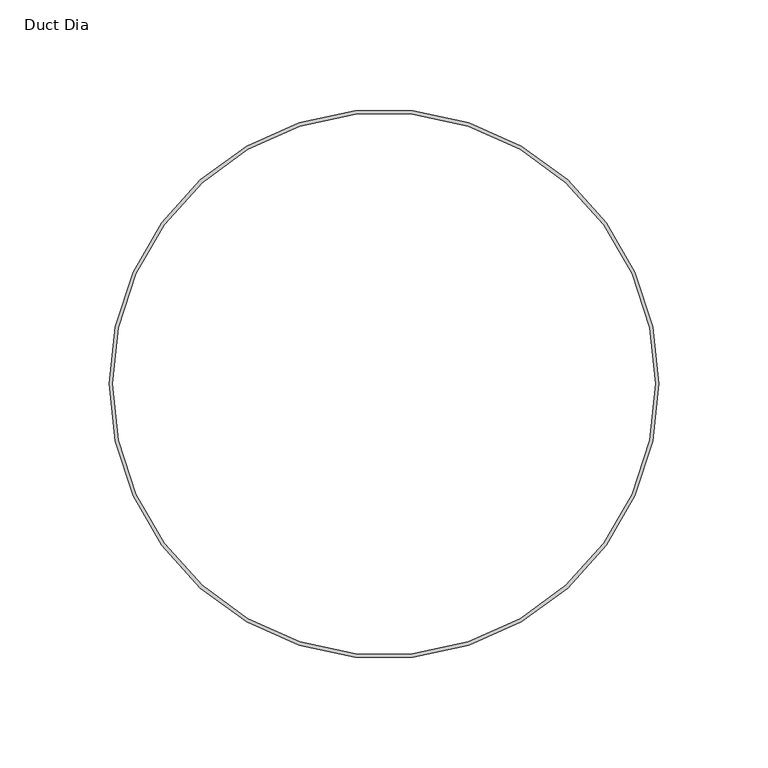
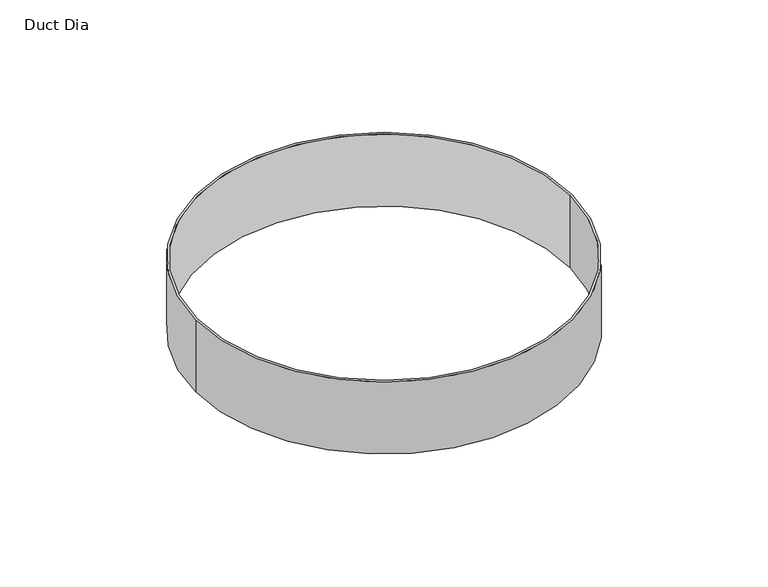
"""IFC4 building model written with IfcOpenShell, lengths in millimetres: proxy geometry, Duct Dia."""

from ifc_helpers import new_model, si_unit, point, origin, origin_with_axes, origin_2d, place, context, project, spatial, circle_curve, trimmed, segment, composite_curve, outline, extrude, source, transform, mapped, element, save


def duct_dia_61f3b6dd(model_context):
    return source(origin(), model_context, "Body", "SweptSolid", [
        extrude(outline(composite_curve([segment(trimmed(circle_curve(origin_2d(), 125.4621094), [point((-125.4621094, 0.0))], [point((125.4621094, 0.0))], False, "CARTESIAN"), True, "CONTINUOUS"), segment(trimmed(circle_curve(origin_2d(), 125.4621094), [point((125.4621094, 0.0))], [point((-125.4621094, 0.0))], False, "CARTESIAN"), True, "CONTINUOUS")], self_intersect=False), holes=[composite_curve([segment(trimmed(circle_curve(origin_2d(), 123.8746094), [point((-123.8746094, 0.0))], [point((123.8746094, 0.0))], True, "CARTESIAN"), True, "CONTINUOUS"), segment(trimmed(circle_curve(origin_2d(), 123.8746094), [point((123.8746094, 0.0))], [point((-123.8746094, 0.0))], True, "CARTESIAN"), True, "CONTINUOUS")], self_intersect=False)]), origin_with_axes(), (0.0, 0.0, 1.0), 50.8),
    ])


if __name__ == "__main__":
    model = new_model("IFC4")
    model_context = context("Model", 3, world=origin())
    ifc_project = project(units=[si_unit("LENGTHUNIT", "METRE", prefix="MILLI")], contexts=[model_context])
    site = spatial("IfcSite", under=ifc_project)
    building = spatial("IfcBuilding", under=site)
    placement = place(None, origin())
    duct_dia_shape = duct_dia_61f3b6dd(model_context)
    element("IfcBuildingElementProxy", 1, Name="Duct Dia", ObjectType="Duct Dia", at=placement, inside=building, context=model_context, shape_type="MappedRepresentation", body=[
        mapped(duct_dia_shape, transform((0.0, 0.0, 0.0), x_axis=(1.0, 0.0, 0.0), y_axis=(0.0, 1.0, 0.0), z_axis=(0.0, 0.0, 1.0))),
    ])
    save(model, "model.ifc")
